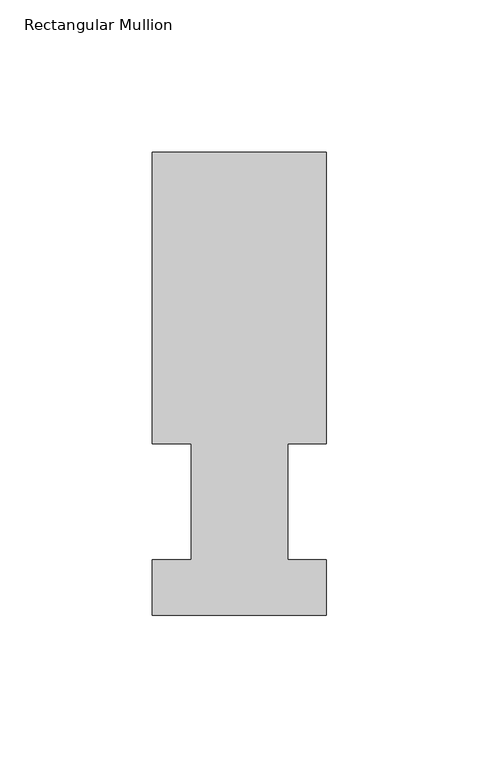
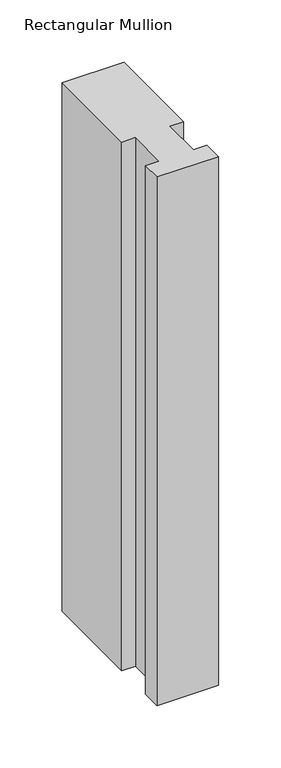
"""IFC4 building model written with IfcOpenShell, lengths in millimetres: member geometry, Rectangular Mullion."""

from ifc_helpers import new_model, si_unit, frame, origin, place, context, project, spatial, polyline, outline, extrude, source, transform, mapped, element, save


def rectangular_mullion_edcdad84(model_context):
    return source(origin(), model_context, "Body", "SweptSolid", [
        extrude(outline(polyline([(-57.15, 151.98725), (0.0, 151.98725), (0.0, 56.35625), (-12.7, 56.35625), (-12.7, 18.25625), (0.0, 18.25625), (0.0, -0.03175), (-57.15, -0.03175), (-57.15, 18.25625), (-44.45, 18.25625), (-44.45, 56.35625), (-57.15, 56.35625), (-57.15, 151.98725)])), frame((0.0, 0.0, -517.525), z_axis=(0.0, 0.0, 1.0), x_axis=(1.0, 0.0, 0.0)), (0.0, 0.0, 1.0), 517.525),
    ])


if __name__ == "__main__":
    model = new_model("IFC4")
    model_context = context("Model", 3, world=origin())
    ifc_project = project(units=[si_unit("LENGTHUNIT", "METRE", prefix="MILLI")], contexts=[model_context])
    site = spatial("IfcSite", under=ifc_project)
    building = spatial("IfcBuilding", under=site)
    placement = place(None, origin())
    rectangular_mullion_shape = rectangular_mullion_edcdad84(model_context)
    element("IfcMember", 1, ObjectType="Rectangular Mullion", at=placement, inside=building, context=model_context, shape_type="MappedRepresentation", body=[
        mapped(rectangular_mullion_shape, transform((0.0, 0.0, 0.0), x_axis=(1.0, 0.0, 0.0), y_axis=(0.0, 1.0, 0.0), z_axis=(0.0, 0.0, 1.0))),
    ])
    save(model, "model.ifc")
